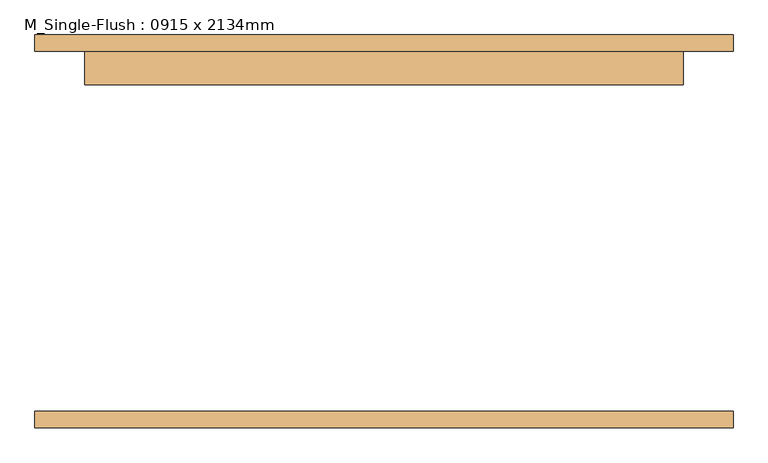
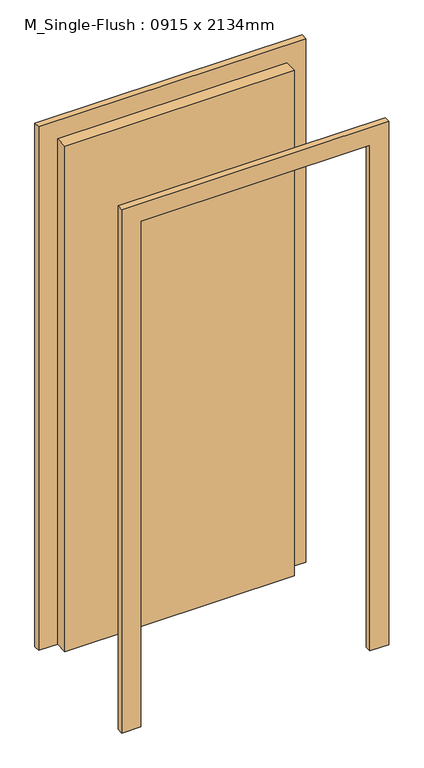
"""IFC4 building model written with IfcOpenShell, lengths in millimetres: door geometry, M_Single-Flush : 0915 x 2134mm."""

from ifc_helpers import new_model, si_unit, frame, origin, origin_with_axes, place, context, project, spatial, polyline, outline, extrude, source, transform, mapped, element, save


def m_single_flush_0915_x_2134mm_070d759d(model_context):
    return source(origin(), model_context, "Body", "SweptSolid", [
        extrude(outline(polyline([(2210.0, -533.5), (0.0, -533.5), (0.0, -457.5), (2134.0, -457.5), (2134.0, 457.5), (0.0, 457.5), (0.0, 533.5), (2210.0, 533.5), (2210.0, -533.5)])), frame((0.0, 275.0, 0.0), z_axis=(0.0, 1.0, 0.0), x_axis=(0.0, 0.0, 1.0)), (0.0, 0.0, 1.0), 25.0),
        extrude(outline(polyline([(2210.0, 533.5), (2210.0, -533.5), (0.0, -533.5), (0.0, -457.5), (2134.0, -457.5), (2134.0, 457.5), (0.0, 457.5), (0.0, 533.5), (2210.0, 533.5)])), frame((0.0, -300.0, 0.0), z_axis=(0.0, 1.0, 0.0), x_axis=(0.0, 0.0, 1.0)), (0.0, 0.0, 1.0), 25.0),
        extrude(outline(polyline([(457.5, 224.0), (-457.5, 224.0), (-457.5, 275.0), (457.5, 275.0), (457.5, 224.0)])), origin_with_axes(), (0.0, 0.0, 1.0), 2134.0),
    ])


if __name__ == "__main__":
    model = new_model("IFC4")
    model_context = context("Model", 3, world=origin())
    ifc_project = project(units=[si_unit("LENGTHUNIT", "METRE", prefix="MILLI")], contexts=[model_context])
    site = spatial("IfcSite", under=ifc_project)
    building = spatial("IfcBuilding", under=site)
    placement = place(None, origin())
    m_single_flush_0915_x_2134mm_shape = m_single_flush_0915_x_2134mm_070d759d(model_context)
    element("IfcDoor", 1, ObjectType="M_Single-Flush : 0915 x 2134mm", at=placement, inside=building, context=model_context, shape_type="MappedRepresentation", body=[
        mapped(m_single_flush_0915_x_2134mm_shape, transform((0.0, 0.0, 0.0), x_axis=(1.0, 0.0, 0.0), y_axis=(0.0, 1.0, 0.0), z_axis=(0.0, 0.0, 1.0))),
    ])
    save(model, "model.ifc")
